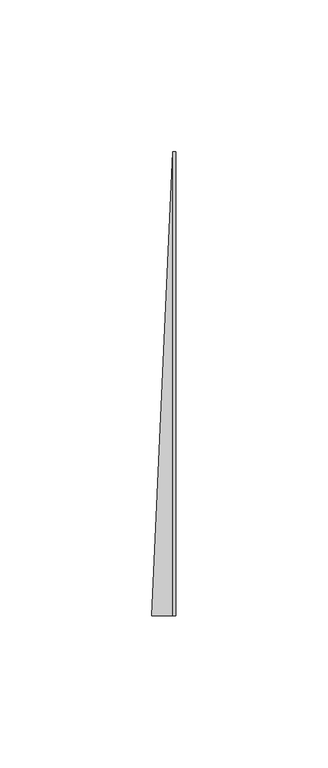
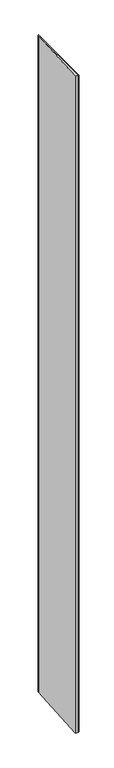
"""IFC4 building model written with IfcOpenShell, lengths in millimetres: proxy geometry."""

from ifc_helpers import new_model, si_unit, origin, origin_with_axes, place, context, project, spatial, polyline, outline, extrude, source, transform, mapped, element, save


def generic_models_f99ede00(model_context):
    return source(origin(), model_context, "Body", "SweptSolid", [
        extrude(outline(polyline([(-1.0, 0.0), (-1.0, 153.0), (0.0, 153.0), (0.0, 0.0), (-1.0, 0.0)])), origin_with_axes(), (0.0, 0.0, 1.0), 1510.0),
        extrude(outline(polyline([(-8.0, 0.0), (-1.0, 153.0), (-1.0, 0.0), (-8.0, 0.0)])), origin_with_axes(), (0.0, 0.0, 1.0), 1510.0),
    ])


if __name__ == "__main__":
    model = new_model("IFC4")
    model_context = context("Model", 3, world=origin())
    ifc_project = project(units=[si_unit("LENGTHUNIT", "METRE", prefix="MILLI")], contexts=[model_context])
    site = spatial("IfcSite", under=ifc_project)
    building = spatial("IfcBuilding", under=site)
    placement = place(None, origin())
    generic_models_shape = generic_models_f99ede00(model_context)
    element("IfcBuildingElementProxy", 1, Name="Generic Models", at=placement, inside=building, context=model_context, shape_type="MappedRepresentation", body=[
        mapped(generic_models_shape, transform((0.0, 0.0, 0.0), x_axis=(1.0, 0.0, 0.0), y_axis=(0.0, 1.0, 0.0), z_axis=(0.0, 0.0, 1.0))),
    ])
    save(model, "model.ifc")
